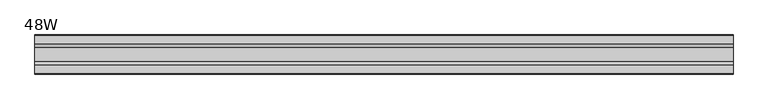
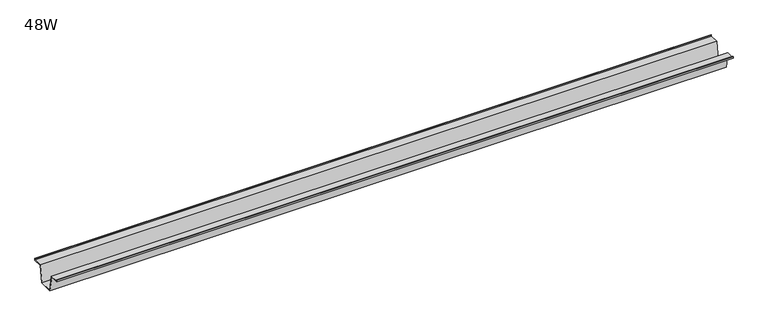
"""IFC4 building model written with IfcOpenShell, lengths in millimetres: furniture geometry, 48W."""

from ifc_helpers import new_model, si_unit, frame, origin, place, context, project, spatial, polyline, outline, extrude, source, transform, mapped, element, save


def furniture_48w_24b49d77(model_context):
    return source(origin(), model_context, "Body", "SweptSolid", [
        extrude(outline(polyline([(-22.9397721, 701.675), (-28.502372, 671.4490007), (-53.9023728, 671.4490007), (-59.4649727, 701.675), (-75.3653716, 701.675), (-75.3653716, 704.85), (-74.5716216, 704.85), (-74.5716216, 702.46875), (-58.8172994, 702.46875), (-53.2546995, 672.2427507), (-29.1500453, 672.2427507), (-23.5874454, 702.46875), (-7.8331232, 702.46875), (-7.8331232, 704.85), (-7.0393732, 704.85), (-7.0393732, 701.675), (-22.9397721, 701.675)])), frame((-609.6, 0.0, 0.0), z_axis=(1.0, 0.0, 0.0), x_axis=(0.0, 1.0, 0.0)), (0.0, 0.0, 1.0), 1219.2),
    ])


if __name__ == "__main__":
    model = new_model("IFC4")
    model_context = context("Model", 3, world=origin())
    ifc_project = project(units=[si_unit("LENGTHUNIT", "METRE", prefix="MILLI")], contexts=[model_context])
    site = spatial("IfcSite", under=ifc_project)
    building = spatial("IfcBuilding", under=site)
    placement = place(None, origin())
    furniture_48w_shape = furniture_48w_24b49d77(model_context)
    element("IfcFurniture", 1, ObjectType="48W", at=placement, inside=building, context=model_context, shape_type="MappedRepresentation", body=[
        mapped(furniture_48w_shape, transform((0.0, 0.0, 0.0), x_axis=(1.0, 0.0, 0.0), y_axis=(0.0, 1.0, 0.0), z_axis=(0.0, 0.0, 1.0))),
    ])
    save(model, "model.ifc")
